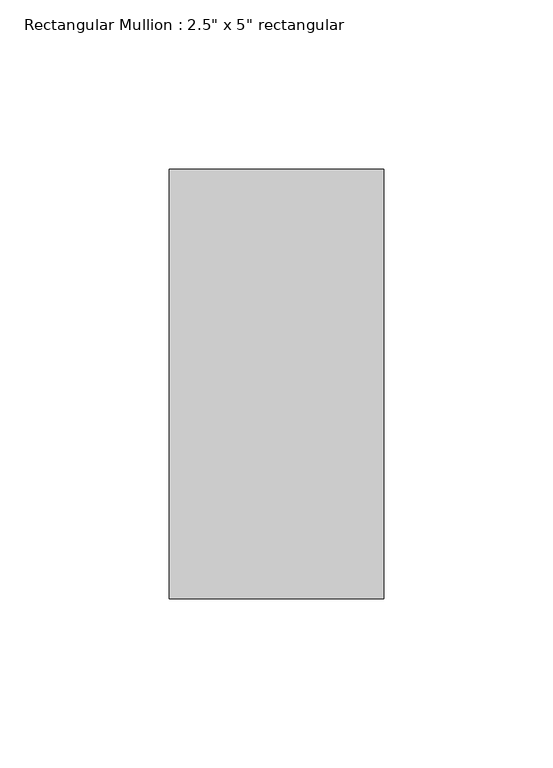
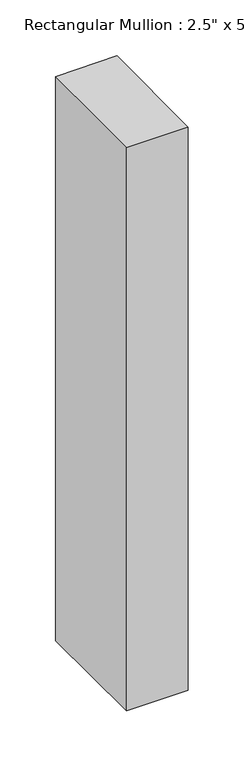
"""IFC4 building model written with IfcOpenShell, lengths in millimetres: member geometry."""

from ifc_helpers import new_model, si_unit, origin, place, context, project, spatial, faceted_brep, source, transform, mapped, element, save


def member_a1fd6143(model_context):
    return source(origin(), model_context, "Body", "Brep", [
        faceted_brep([(-63.5, 63.5, 0.0622986), (0.0, 63.5, 0.3861053), (0.0, 63.5, -616.4795349), (-63.5, 63.5, -616.3490504), (-63.5, -63.5, -0.709912), (-63.5, -63.5, -615.5784378), (0.0, -63.5, -0.3861053), (0.0, -63.5, -615.7089222)], [[[0, 1, 2, 3]], [[4, 0, 3, 5]], [[6, 4, 5, 7]], [[1, 6, 7, 2]], [[1, 0, 4, 6]], [[2, 7, 5, 3]]]),
    ])


if __name__ == "__main__":
    model = new_model("IFC4")
    model_context = context("Model", 3, world=origin())
    ifc_project = project(units=[si_unit("LENGTHUNIT", "METRE", prefix="MILLI")], contexts=[model_context])
    site = spatial("IfcSite", under=ifc_project)
    building = spatial("IfcBuilding", under=site)
    placement = place(None, origin())
    member_shape = member_a1fd6143(model_context)
    element("IfcMember", 1, ObjectType="Rectangular Mullion : 2.5\" x 5\" rectangular", at=placement, inside=building, context=model_context, shape_type="MappedRepresentation", body=[
        mapped(member_shape, transform((0.0, 0.0, 0.0), x_axis=(1.0, 0.0, 0.0), y_axis=(0.0, 1.0, 0.0), z_axis=(0.0, 0.0, 1.0))),
    ])
    save(model, "model.ifc")
